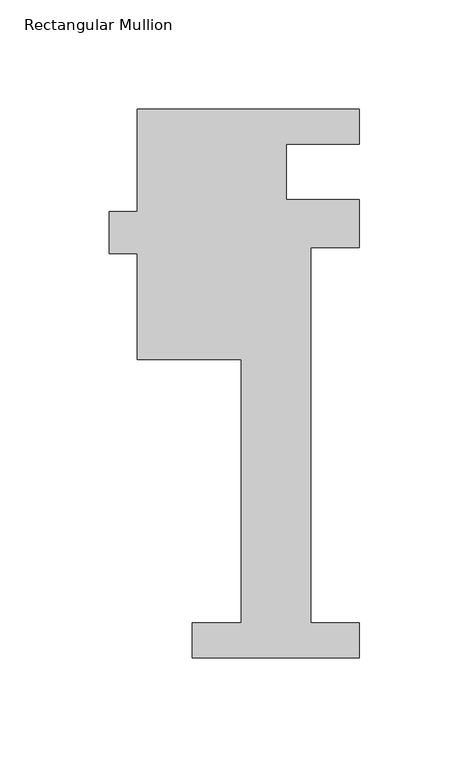
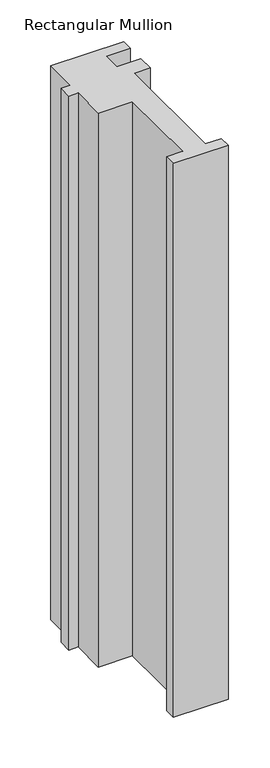
"""IFC4 building model written with IfcOpenShell, lengths in millimetres: member geometry, Rectangular Mullion."""

from ifc_helpers import new_model, si_unit, frame, origin, place, context, project, spatial, polyline, outline, extrude, source, transform, mapped, element, save


def rectangular_mullion_7e6a1764(model_context):
    return source(origin(), model_context, "Body", "SweptSolid", [
        extrude(outline(polyline([(-38.1, -221.996), (-38.1, -206.121), (-15.875, -206.121), (-15.875, -85.7445803), (-63.2464382, -85.7445803), (-63.2464382, -37.2155784), (-75.9552088, -37.2155784), (-75.9552088, -18.1655784), (-63.2464382, -18.1655784), (-63.2464382, 28.5554197), (38.1, 28.5554197), (38.1, 12.7), (4.7625, 12.7), (4.7625, -12.7), (38.1, -12.7), (38.1, -34.671), (15.875, -34.671), (15.875, -206.121), (38.1, -206.121), (38.1, -221.996), (-38.1, -221.996)])), frame((0.0, 0.0, -812.8), z_axis=(0.0, 0.0, 1.0), x_axis=(1.0, 0.0, 0.0)), (0.0, 0.0, 1.0), 812.8),
    ])


if __name__ == "__main__":
    model = new_model("IFC4")
    model_context = context("Model", 3, world=origin())
    ifc_project = project(units=[si_unit("LENGTHUNIT", "METRE", prefix="MILLI")], contexts=[model_context])
    site = spatial("IfcSite", under=ifc_project)
    building = spatial("IfcBuilding", under=site)
    placement = place(None, origin())
    rectangular_mullion_shape = rectangular_mullion_7e6a1764(model_context)
    element("IfcMember", 1, ObjectType="Rectangular Mullion", at=placement, inside=building, context=model_context, shape_type="MappedRepresentation", body=[
        mapped(rectangular_mullion_shape, transform((0.0, 0.0, 0.0), x_axis=(1.0, 0.0, 0.0), y_axis=(0.0, 1.0, 0.0), z_axis=(0.0, 0.0, 1.0))),
    ])
    save(model, "model.ifc")
